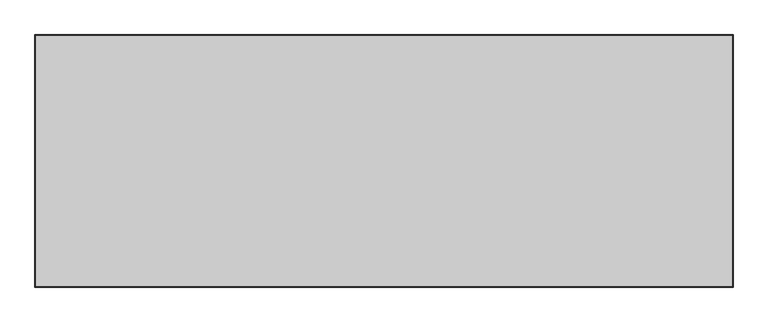
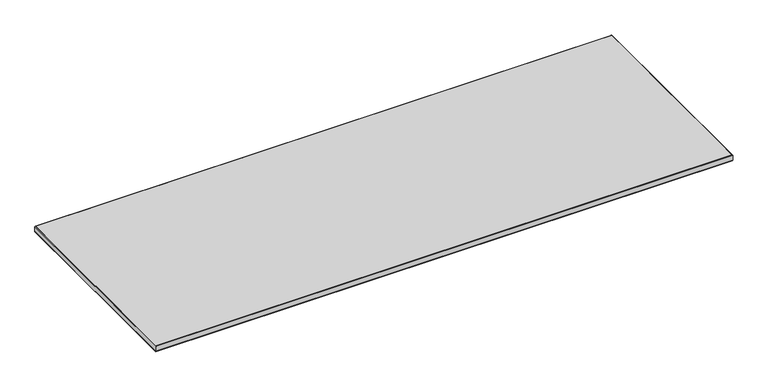
"""IFC4 building model written with IfcOpenShell, lengths in millimetres: furniture geometry."""

from ifc_helpers import new_model, si_unit, frame, origin, place, context, project, spatial, polyline, outline, extrude, faceted_brep, source, transform, mapped, element, save


def furniture_2f291bc3(model_context):
    return source(origin(), model_context, "Body", "SolidModel", [
        extrude(outline(polyline([(2462.4029661, 73.1697824), (2462.4029661, -824.4662176), (-25.2476031, -824.4662176), (-25.2476031, 73.1697824), (2462.4029661, 73.1697824)])), frame((0.0, 0.0, 711.1999758), z_axis=(0.0, 0.0, 1.0), x_axis=(1.0, 0.0, 0.0)), (0.0, 0.0, 1.0), 26.9240107),
        faceted_brep([(2463.849246, 74.6160623, 737.5381937), (2464.4349661, 75.2017824, 736.1240358), (-27.2796031, 75.2017824, 736.1240358), (-26.693883, 74.6160623, 737.5381937), (2462.4029661, 73.1697824, 738.1372617), (-25.2476031, 73.1697824, 738.1372617), (2462.4029661, 73.1697824, 711.1867005), (-25.2476031, 73.1697824, 711.1867005), (2463.849246, 74.6160623, 711.7857685), (-26.693883, 74.6160623, 711.7857685), (2464.4349661, 75.2017824, 713.199999), (-27.2796031, 75.2017824, 713.199999), (-27.2796031, -826.4982176, 736.1240358), (-26.693883, -825.9124975, 737.5381937), (-25.2476031, -824.4662176, 738.1372617), (-25.2476031, -824.4662176, 711.1867005), (-26.693883, -825.9124975, 711.7857685), (-27.2796031, -826.4982176, 713.199999), (2464.4349661, -826.4982176, 736.1240358), (2463.849246, -825.9124975, 737.5381937), (2462.4029661, -824.4662176, 738.1372617), (2462.4029661, -824.4662176, 711.1867005), (2463.849246, -825.9124975, 711.7857685), (2464.4349661, -826.4982176, 713.199999)], [[[0, 1, 2, 3]], [[4, 0, 3, 5]], [[6, 4, 5, 7]], [[8, 6, 7, 9]], [[10, 8, 9, 11]], [[1, 10, 11, 2]], [[3, 2, 12, 13]], [[5, 3, 13, 14]], [[7, 5, 14, 15]], [[9, 7, 15, 16]], [[11, 9, 16, 17]], [[2, 11, 17, 12]], [[13, 12, 18, 19]], [[14, 13, 19, 20]], [[15, 14, 20, 21]], [[16, 15, 21, 22]], [[17, 16, 22, 23]], [[12, 17, 23, 18]], [[19, 18, 1, 0]], [[20, 19, 0, 4]], [[21, 20, 4, 6]], [[22, 21, 6, 8]], [[23, 22, 8, 10]], [[18, 23, 10, 1]]]),
    ])


if __name__ == "__main__":
    model = new_model("IFC4")
    model_context = context("Model", 3, world=origin())
    ifc_project = project(units=[si_unit("LENGTHUNIT", "METRE", prefix="MILLI")], contexts=[model_context])
    site = spatial("IfcSite", under=ifc_project)
    building = spatial("IfcBuilding", under=site)
    placement = place(None, origin())
    furniture_shape = furniture_2f291bc3(model_context)
    element("IfcFurniture", 1, at=placement, inside=building, context=model_context, shape_type="MappedRepresentation", body=[
        mapped(furniture_shape, transform((0.0, 0.0, 0.0), x_axis=(1.0, 0.0, 0.0), y_axis=(0.0, 1.0, 0.0), z_axis=(0.0, 0.0, 1.0))),
    ])
    save(model, "model.ifc")
